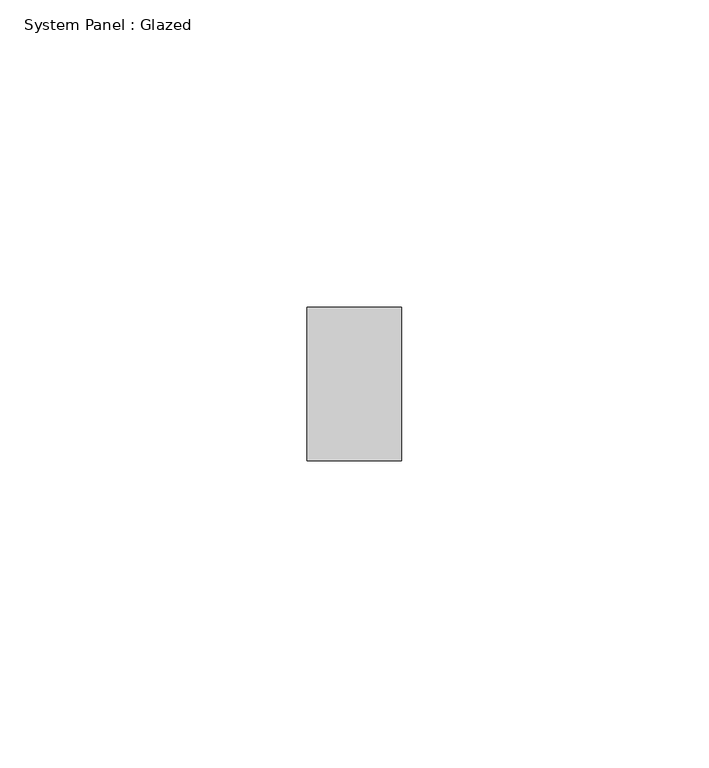
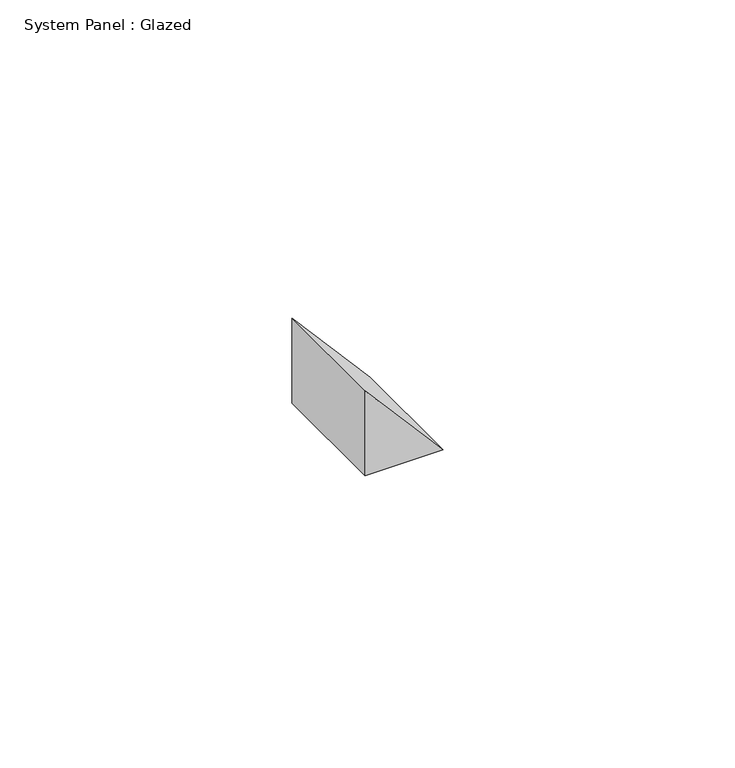
"""IFC4 building model written with IfcOpenShell, lengths in millimetres: plate geometry, System Panel : Glazed."""

import ifcopenshell
import ifcopenshell.guid

model = None  # the IFC model being written
_history = None  # IfcOwnerHistory: only IFC2X3 demands one
_inside = {}  # id of a spatial element -> (the spatial element, [elements in it])
_under = {}  # id of a project, library or spatial element -> (it, [spatial elements below it])
_declared = {}  # id of a project -> (the project, [libraries it declares])
_typed = {}  # id of a type object -> (the type object, [elements of that type])
_made_of = {}  # id of a material, layer set ... -> (it, [elements and type objects made of it])


def new_model(schema):
    """Start an empty IFC model of exactly this schema.

    Asked for "IFC4X3", IfcOpenShell would pick the latest addendum, in which some entities
    have other attributes; the version numbers below select the first issue.
    IFC2X3 requires an IfcOwnerHistory on every rooted entity: one is made here for all.
    """
    global model, _history
    if schema == "IFC4X3":
        model = ifcopenshell.file(schema_version=(4, 3, 0, 0))
    else:
        model = ifcopenshell.file(schema=schema)
    _inside.clear()
    _under.clear()
    _declared.clear()
    _typed.clear()
    _made_of.clear()
    _history = None
    if model.schema == "IFC2X3":
        org = make("IfcOrganization", Name="unknown")
        user = make(
            "IfcPersonAndOrganization",
            ThePerson=make("IfcPerson", FamilyName="unknown"),
            TheOrganization=org,
        )
        app = make(
            "IfcApplication",
            ApplicationDeveloper=org,
            Version="unknown",
            ApplicationFullName="unknown",
            ApplicationIdentifier="unknown",
        )
        _history = make(
            "IfcOwnerHistory",
            OwningUser=user,
            OwningApplication=app,
            ChangeAction="ADDED",
            CreationDate=0,
        )
    return model


def make(cls, **values):
    """One entity of the class cls with the attributes given. An attribute that is None is left unset."""
    return model.create_entity(
        cls, **{name: value for name, value in values.items() if value is not None}
    )


def rooted(cls, **values):
    """An entity with a GlobalId (a new one), such as an element, a storey or a relation."""
    return make(cls, GlobalId=ifcopenshell.guid.new(), OwnerHistory=_history, **values)


def si_unit(unit_type, name, prefix=None):
    """IfcSIUnit, for example si_unit("LENGTHUNIT", "METRE", prefix="MILLI")."""
    return make("IfcSIUnit", UnitType=unit_type, Prefix=prefix, Name=name)


def assignment(units):
    """IfcUnitAssignment: the units of a project."""
    return None if units is None else make("IfcUnitAssignment", Units=units)


def point(xyz):
    """IfcCartesianPoint."""
    return None if xyz is None else make("IfcCartesianPoint", Coordinates=xyz)


def direction(xyz):
    """IfcDirection."""
    return None if xyz is None else make("IfcDirection", DirectionRatios=xyz)


def frame(location, z_axis=None, x_axis=None):
    """IfcAxis2Placement3D, a coordinate frame: its origin and axes. An axis left out is left unset."""
    return make(
        "IfcAxis2Placement3D",
        Location=point(location),
        Axis=direction(z_axis),
        RefDirection=direction(x_axis),
    )


def origin():
    """The frame at (0, 0, 0) with its axes left unset."""
    return frame((0.0, 0.0, 0.0))


def place(relative_to, where):
    """IfcLocalPlacement: puts the frame where relative to a parent placement (None: the world)."""
    return make(
        "IfcLocalPlacement", PlacementRelTo=relative_to, RelativePlacement=where
    )


def context(
    kind, dimensions, precision=None, world=None, true_north=None, identifier=None
):
    """IfcGeometricRepresentationContext, for example the 3D "Model" context."""
    return make(
        "IfcGeometricRepresentationContext",
        ContextIdentifier=identifier,
        ContextType=kind,
        CoordinateSpaceDimension=dimensions,
        Precision=precision,
        WorldCoordinateSystem=world,
        TrueNorth=true_north,
    )


def project(units=None, contexts=None):
    """IfcProject with its units and contexts."""
    return rooted(
        "IfcProject",
        Name="project",
        RepresentationContexts=contexts,
        UnitsInContext=assignment(units),
    )


def spatial(cls, under=None, at=None, **own):
    """A site, building, storey or space (cls), placed at a placement, below another one or the project."""
    s = rooted(cls, ObjectPlacement=at, **own)
    if under is not None:
        _under.setdefault(under.id(), (under, []))[1].append(s)
    return s


def polyline(points):
    """IfcPolyline through the points."""
    return make("IfcPolyline", Points=[point(p) for p in points])


def outline(outer, holes=None, kind="AREA"):
    """IfcArbitraryClosedProfileDef: a profile drawn as a closed curve; with holes, ...WithVoids."""
    if holes is None:
        return make("IfcArbitraryClosedProfileDef", ProfileType=kind, OuterCurve=outer)
    return make(
        "IfcArbitraryProfileDefWithVoids",
        ProfileType=kind,
        OuterCurve=outer,
        InnerCurves=holes,
    )


def extrude(swept, where, along, depth):
    """IfcExtrudedAreaSolid: the profile swept, set in the frame where, extruded along a direction by depth."""
    return make(
        "IfcExtrudedAreaSolid",
        SweptArea=swept,
        Position=where,
        ExtrudedDirection=direction(along),
        Depth=depth,
    )


def shape(context_of_items, identifier, shape_type, items):
    """IfcShapeRepresentation: the items that make up one representation, for example the "Body"."""
    return make(
        "IfcShapeRepresentation",
        ContextOfItems=context_of_items,
        RepresentationIdentifier=identifier,
        RepresentationType=shape_type,
        Items=items,
    )


def source(mapping_origin, context_of_items, identifier, shape_type, items):
    """IfcRepresentationMap: a shape defined once, which mapped items show again and again."""
    return make(
        "IfcRepresentationMap",
        MappingOrigin=mapping_origin,
        MappedRepresentation=shape(context_of_items, identifier, shape_type, items),
    )


def transform(
    local_origin,
    x_axis=None,
    y_axis=None,
    z_axis=None,
    scale=None,
    scale2=None,
    scale3=None,
    uniform=True,
):
    """IfcCartesianTransformationOperator3D, or its non-uniform kind. x_axis, y_axis, z_axis: its Axis1, 2, 3."""
    if uniform:
        return make(
            "IfcCartesianTransformationOperator3D",
            Axis1=direction(x_axis),
            Axis2=direction(y_axis),
            LocalOrigin=point(local_origin),
            Scale=scale,
            Axis3=direction(z_axis),
        )
    return make(
        "IfcCartesianTransformationOperator3DnonUniform",
        Axis1=direction(x_axis),
        Axis2=direction(y_axis),
        LocalOrigin=point(local_origin),
        Scale=scale,
        Axis3=direction(z_axis),
        Scale2=scale2,
        Scale3=scale3,
    )


def mapped(mapping_source, mapping_target):
    """IfcMappedItem: shows the shape of a source again, moved by a transform."""
    return make(
        "IfcMappedItem", MappingSource=mapping_source, MappingTarget=mapping_target
    )


def made_of(thing, what):
    """Note that an element or type object is made of a material, layer set ...; save() writes the relation."""
    if what is not None:
        _made_of.setdefault(what.id(), (what, []))[1].append(thing)
    return thing


def element(
    cls,
    number,
    at=None,
    inside=None,
    cuts=None,
    type_object=None,
    material=None,
    context=None,
    identifier="Body",
    shape_type=None,
    held_by="IfcProductDefinitionShape",
    body=None,
    shapes=None,
    **own,
):
    """One element of the class cls, such as IfcWall. Its Tag is "e" and its number.

    at: its placement. inside: the storey or other place that contains it. cuts: it is an
    opening in that element (IfcRelVoidsElement). A single representation is given by context,
    identifier, shape_type and body (its items); several are given by shapes. held_by: the class
    of the entity that holds the representations. save() writes the other relations.
    """
    e = rooted(cls, Tag="e%d" % number, ObjectPlacement=at, **own)
    if body is not None:
        shapes = [shape(context, identifier, shape_type, body)]
    if shapes is not None:
        e.Representation = make(held_by, Representations=shapes)
    if inside is not None:
        _inside.setdefault(inside.id(), (inside, []))[1].append(e)
    if cuts is not None:
        rooted(
            "IfcRelVoidsElement", RelatingBuildingElement=cuts, RelatedOpeningElement=e
        )
    if type_object is not None:
        _typed.setdefault(type_object.id(), (type_object, []))[1].append(e)
    return made_of(e, material)


def aggregate(whole, parts):
    """IfcRelAggregates: a whole, such as a stair, and the parts it consists of."""
    return rooted("IfcRelAggregates", RelatingObject=whole, RelatedObjects=parts)


def save(model, path):
    """Write the relations noted so far, then the file.

    IfcRelAggregates (storeys below a building ...), IfcRelContainedInSpatialStructure (elements
    in a storey), IfcRelDefinesByType, IfcRelAssociatesMaterial and IfcRelDeclares: one each for
    every whole, place, type object, material and project.
    """
    for whole, parts in _under.values():
        aggregate(whole, parts)
    for where, things in _inside.values():
        rooted(
            "IfcRelContainedInSpatialStructure",
            RelatedElements=things,
            RelatingStructure=where,
        )
    for kind, things in _typed.values():
        rooted("IfcRelDefinesByType", RelatedObjects=things, RelatingType=kind)
    for what, things in _made_of.values():
        rooted("IfcRelAssociatesMaterial", RelatedObjects=things, RelatingMaterial=what)
    for by, libraries in _declared.values():
        rooted("IfcRelDeclares", RelatingContext=by, RelatedDefinitions=libraries)
    model.write(path)


def system_panel_glazed_3e99c454(model_context):
    return source(origin(), model_context, "Body", "SweptSolid", [
        extrude(outline(polyline([(0.0, -7.7071605), (0.0, 7.7071605), (17.7989248, -7.7071605), (0.0, -7.7071605)])), frame((0.0, 24.5, 0.0), z_axis=(0.0, 1.0, 0.0), x_axis=(0.0, 0.0, 1.0)), (0.0, 0.0, 1.0), 25.0),
    ])


if __name__ == "__main__":
    model = new_model("IFC4")
    model_context = context("Model", 3, world=origin())
    ifc_project = project(units=[si_unit("LENGTHUNIT", "METRE", prefix="MILLI")], contexts=[model_context])
    site = spatial("IfcSite", under=ifc_project)
    building = spatial("IfcBuilding", under=site)
    placement = place(None, origin())
    system_panel_glazed_shape = system_panel_glazed_3e99c454(model_context)
    element("IfcPlate", 1, ObjectType="System Panel : Glazed", at=placement, inside=building, context=model_context, shape_type="MappedRepresentation", body=[
        mapped(system_panel_glazed_shape, transform((0.0, 0.0, 0.0), x_axis=(1.0, 0.0, 0.0), y_axis=(0.0, 1.0, 0.0), z_axis=(0.0, 0.0, 1.0))),
    ])
    save(model, "model.ifc")
